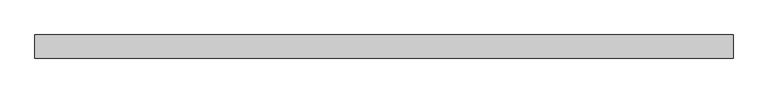
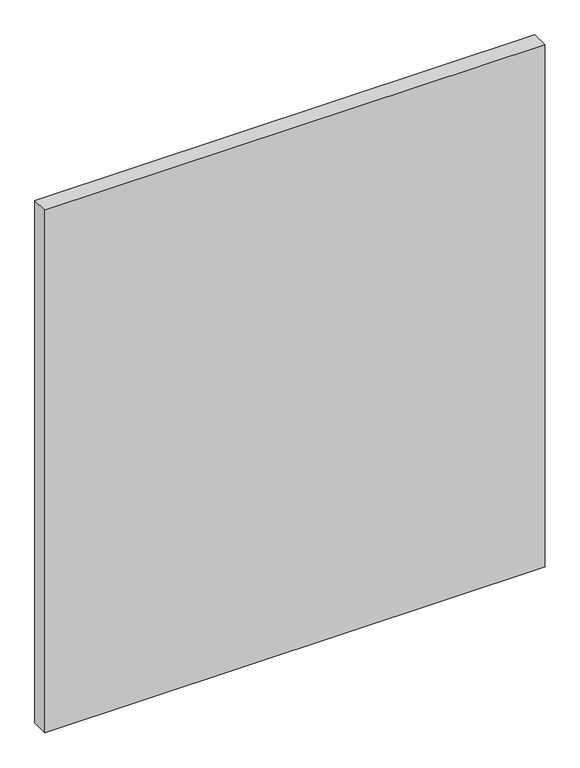
"""IFC4 building model written with IfcOpenShell, lengths in millimetres: plate geometry."""

import ifcopenshell
import ifcopenshell.guid

model = None  # the IFC model being written
_history = None  # IfcOwnerHistory: only IFC2X3 demands one
_inside = {}  # id of a spatial element -> (the spatial element, [elements in it])
_under = {}  # id of a project, library or spatial element -> (it, [spatial elements below it])
_declared = {}  # id of a project -> (the project, [libraries it declares])
_typed = {}  # id of a type object -> (the type object, [elements of that type])
_made_of = {}  # id of a material, layer set ... -> (it, [elements and type objects made of it])


def new_model(schema):
    """Start an empty IFC model of exactly this schema.

    Asked for "IFC4X3", IfcOpenShell would pick the latest addendum, in which some entities
    have other attributes; the version numbers below select the first issue.
    IFC2X3 requires an IfcOwnerHistory on every rooted entity: one is made here for all.
    """
    global model, _history
    if schema == "IFC4X3":
        model = ifcopenshell.file(schema_version=(4, 3, 0, 0))
    else:
        model = ifcopenshell.file(schema=schema)
    _inside.clear()
    _under.clear()
    _declared.clear()
    _typed.clear()
    _made_of.clear()
    _history = None
    if model.schema == "IFC2X3":
        org = make("IfcOrganization", Name="unknown")
        user = make(
            "IfcPersonAndOrganization",
            ThePerson=make("IfcPerson", FamilyName="unknown"),
            TheOrganization=org,
        )
        app = make(
            "IfcApplication",
            ApplicationDeveloper=org,
            Version="unknown",
            ApplicationFullName="unknown",
            ApplicationIdentifier="unknown",
        )
        _history = make(
            "IfcOwnerHistory",
            OwningUser=user,
            OwningApplication=app,
            ChangeAction="ADDED",
            CreationDate=0,
        )
    return model


def make(cls, **values):
    """One entity of the class cls with the attributes given. An attribute that is None is left unset."""
    return model.create_entity(
        cls, **{name: value for name, value in values.items() if value is not None}
    )


def rooted(cls, **values):
    """An entity with a GlobalId (a new one), such as an element, a storey or a relation."""
    return make(cls, GlobalId=ifcopenshell.guid.new(), OwnerHistory=_history, **values)


def si_unit(unit_type, name, prefix=None):
    """IfcSIUnit, for example si_unit("LENGTHUNIT", "METRE", prefix="MILLI")."""
    return make("IfcSIUnit", UnitType=unit_type, Prefix=prefix, Name=name)


def assignment(units):
    """IfcUnitAssignment: the units of a project."""
    return None if units is None else make("IfcUnitAssignment", Units=units)


def point(xyz):
    """IfcCartesianPoint."""
    return None if xyz is None else make("IfcCartesianPoint", Coordinates=xyz)


def direction(xyz):
    """IfcDirection."""
    return None if xyz is None else make("IfcDirection", DirectionRatios=xyz)


def frame(location, z_axis=None, x_axis=None):
    """IfcAxis2Placement3D, a coordinate frame: its origin and axes. An axis left out is left unset."""
    return make(
        "IfcAxis2Placement3D",
        Location=point(location),
        Axis=direction(z_axis),
        RefDirection=direction(x_axis),
    )


def origin():
    """The frame at (0, 0, 0) with its axes left unset."""
    return frame((0.0, 0.0, 0.0))


def origin_with_axes():
    """The frame at (0, 0, 0) with the z axis (0, 0, 1) and the x axis (1, 0, 0) written out."""
    return frame((0.0, 0.0, 0.0), z_axis=(0.0, 0.0, 1.0), x_axis=(1.0, 0.0, 0.0))


def place(relative_to, where):
    """IfcLocalPlacement: puts the frame where relative to a parent placement (None: the world)."""
    return make(
        "IfcLocalPlacement", PlacementRelTo=relative_to, RelativePlacement=where
    )


def context(
    kind, dimensions, precision=None, world=None, true_north=None, identifier=None
):
    """IfcGeometricRepresentationContext, for example the 3D "Model" context."""
    return make(
        "IfcGeometricRepresentationContext",
        ContextIdentifier=identifier,
        ContextType=kind,
        CoordinateSpaceDimension=dimensions,
        Precision=precision,
        WorldCoordinateSystem=world,
        TrueNorth=true_north,
    )


def project(units=None, contexts=None):
    """IfcProject with its units and contexts."""
    return rooted(
        "IfcProject",
        Name="project",
        RepresentationContexts=contexts,
        UnitsInContext=assignment(units),
    )


def spatial(cls, under=None, at=None, **own):
    """A site, building, storey or space (cls), placed at a placement, below another one or the project."""
    s = rooted(cls, ObjectPlacement=at, **own)
    if under is not None:
        _under.setdefault(under.id(), (under, []))[1].append(s)
    return s


def polyline(points):
    """IfcPolyline through the points."""
    return make("IfcPolyline", Points=[point(p) for p in points])


def outline(outer, holes=None, kind="AREA"):
    """IfcArbitraryClosedProfileDef: a profile drawn as a closed curve; with holes, ...WithVoids."""
    if holes is None:
        return make("IfcArbitraryClosedProfileDef", ProfileType=kind, OuterCurve=outer)
    return make(
        "IfcArbitraryProfileDefWithVoids",
        ProfileType=kind,
        OuterCurve=outer,
        InnerCurves=holes,
    )


def extrude(swept, where, along, depth):
    """IfcExtrudedAreaSolid: the profile swept, set in the frame where, extruded along a direction by depth."""
    return make(
        "IfcExtrudedAreaSolid",
        SweptArea=swept,
        Position=where,
        ExtrudedDirection=direction(along),
        Depth=depth,
    )


def shape(context_of_items, identifier, shape_type, items):
    """IfcShapeRepresentation: the items that make up one representation, for example the "Body"."""
    return make(
        "IfcShapeRepresentation",
        ContextOfItems=context_of_items,
        RepresentationIdentifier=identifier,
        RepresentationType=shape_type,
        Items=items,
    )


def source(mapping_origin, context_of_items, identifier, shape_type, items):
    """IfcRepresentationMap: a shape defined once, which mapped items show again and again."""
    return make(
        "IfcRepresentationMap",
        MappingOrigin=mapping_origin,
        MappedRepresentation=shape(context_of_items, identifier, shape_type, items),
    )


def transform(
    local_origin,
    x_axis=None,
    y_axis=None,
    z_axis=None,
    scale=None,
    scale2=None,
    scale3=None,
    uniform=True,
):
    """IfcCartesianTransformationOperator3D, or its non-uniform kind. x_axis, y_axis, z_axis: its Axis1, 2, 3."""
    if uniform:
        return make(
            "IfcCartesianTransformationOperator3D",
            Axis1=direction(x_axis),
            Axis2=direction(y_axis),
            LocalOrigin=point(local_origin),
            Scale=scale,
            Axis3=direction(z_axis),
        )
    return make(
        "IfcCartesianTransformationOperator3DnonUniform",
        Axis1=direction(x_axis),
        Axis2=direction(y_axis),
        LocalOrigin=point(local_origin),
        Scale=scale,
        Axis3=direction(z_axis),
        Scale2=scale2,
        Scale3=scale3,
    )


def mapped(mapping_source, mapping_target):
    """IfcMappedItem: shows the shape of a source again, moved by a transform."""
    return make(
        "IfcMappedItem", MappingSource=mapping_source, MappingTarget=mapping_target
    )


def made_of(thing, what):
    """Note that an element or type object is made of a material, layer set ...; save() writes the relation."""
    if what is not None:
        _made_of.setdefault(what.id(), (what, []))[1].append(thing)
    return thing


def element(
    cls,
    number,
    at=None,
    inside=None,
    cuts=None,
    type_object=None,
    material=None,
    context=None,
    identifier="Body",
    shape_type=None,
    held_by="IfcProductDefinitionShape",
    body=None,
    shapes=None,
    **own,
):
    """One element of the class cls, such as IfcWall. Its Tag is "e" and its number.

    at: its placement. inside: the storey or other place that contains it. cuts: it is an
    opening in that element (IfcRelVoidsElement). A single representation is given by context,
    identifier, shape_type and body (its items); several are given by shapes. held_by: the class
    of the entity that holds the representations. save() writes the other relations.
    """
    e = rooted(cls, Tag="e%d" % number, ObjectPlacement=at, **own)
    if body is not None:
        shapes = [shape(context, identifier, shape_type, body)]
    if shapes is not None:
        e.Representation = make(held_by, Representations=shapes)
    if inside is not None:
        _inside.setdefault(inside.id(), (inside, []))[1].append(e)
    if cuts is not None:
        rooted(
            "IfcRelVoidsElement", RelatingBuildingElement=cuts, RelatedOpeningElement=e
        )
    if type_object is not None:
        _typed.setdefault(type_object.id(), (type_object, []))[1].append(e)
    return made_of(e, material)


def aggregate(whole, parts):
    """IfcRelAggregates: a whole, such as a stair, and the parts it consists of."""
    return rooted("IfcRelAggregates", RelatingObject=whole, RelatedObjects=parts)


def save(model, path):
    """Write the relations noted so far, then the file.

    IfcRelAggregates (storeys below a building ...), IfcRelContainedInSpatialStructure (elements
    in a storey), IfcRelDefinesByType, IfcRelAssociatesMaterial and IfcRelDeclares: one each for
    every whole, place, type object, material and project.
    """
    for whole, parts in _under.values():
        aggregate(whole, parts)
    for where, things in _inside.values():
        rooted(
            "IfcRelContainedInSpatialStructure",
            RelatedElements=things,
            RelatingStructure=where,
        )
    for kind, things in _typed.values():
        rooted("IfcRelDefinesByType", RelatedObjects=things, RelatingType=kind)
    for what, things in _made_of.values():
        rooted("IfcRelAssociatesMaterial", RelatedObjects=things, RelatingMaterial=what)
    for by, libraries in _declared.values():
        rooted("IfcRelDeclares", RelatingContext=by, RelatedDefinitions=libraries)
    model.write(path)


def plate_a7b6a78d(model_context):
    return source(origin(), model_context, "Body", "SweptSolid", [
        extrude(outline(polyline([(517.9791667, -17.5), (-517.9791667, -17.5), (-517.9791667, 17.5), (517.9791667, 17.5), (517.9791667, -17.5)])), origin_with_axes(), (0.0, 0.0, 1.0), 1143.8125),
    ])


if __name__ == "__main__":
    model = new_model("IFC4")
    model_context = context("Model", 3, world=origin())
    ifc_project = project(units=[si_unit("LENGTHUNIT", "METRE", prefix="MILLI")], contexts=[model_context])
    site = spatial("IfcSite", under=ifc_project)
    building = spatial("IfcBuilding", under=site)
    placement = place(None, origin())
    plate_shape = plate_a7b6a78d(model_context)
    element("IfcPlate", 1, at=placement, inside=building, context=model_context, shape_type="MappedRepresentation", body=[
        mapped(plate_shape, transform((0.0, 0.0, 0.0), x_axis=(1.0, 0.0, 0.0), y_axis=(0.0, 1.0, 0.0), z_axis=(0.0, 0.0, 1.0))),
    ])
    save(model, "model.ifc")
